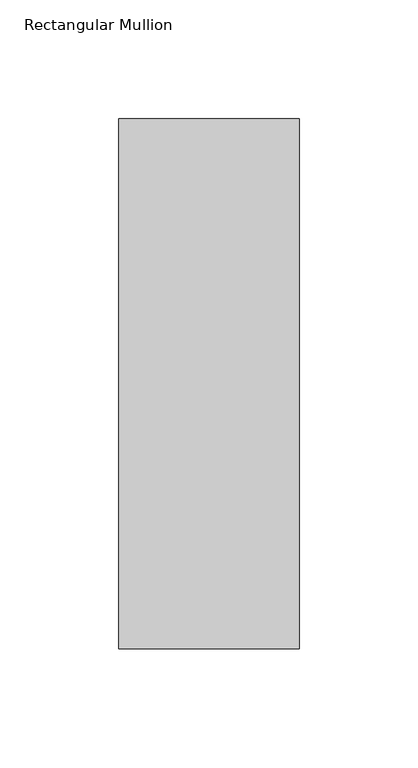
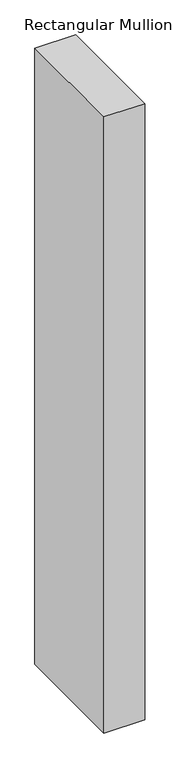
"""IFC4 building model written with IfcOpenShell, lengths in millimetres: member geometry, Rectangular Mullion."""

from ifc_helpers import new_model, si_unit, frame, origin, place, context, project, spatial, polyline, outline, extrude, source, transform, mapped, element, save


def rectangular_mullion_7e34036a(model_context):
    return source(origin(), model_context, "Body", "SweptSolid", [
        extrude(outline(polyline([(38.1, -181.76875), (-38.1, -181.76875), (-38.1, 42.06875), (38.1, 42.06875), (38.1, -181.76875)])), frame((0.0, 0.0, -1219.2), z_axis=(0.0, 0.0, 1.0), x_axis=(1.0, 0.0, 0.0)), (0.0, 0.0, 1.0), 1219.2),
    ])


if __name__ == "__main__":
    model = new_model("IFC4")
    model_context = context("Model", 3, world=origin())
    ifc_project = project(units=[si_unit("LENGTHUNIT", "METRE", prefix="MILLI")], contexts=[model_context])
    site = spatial("IfcSite", under=ifc_project)
    building = spatial("IfcBuilding", under=site)
    placement = place(None, origin())
    rectangular_mullion_shape = rectangular_mullion_7e34036a(model_context)
    element("IfcMember", 1, ObjectType="Rectangular Mullion", at=placement, inside=building, context=model_context, shape_type="MappedRepresentation", body=[
        mapped(rectangular_mullion_shape, transform((0.0, 0.0, 0.0), x_axis=(1.0, 0.0, 0.0), y_axis=(0.0, 1.0, 0.0), z_axis=(0.0, 0.0, 1.0))),
    ])
    save(model, "model.ifc")
